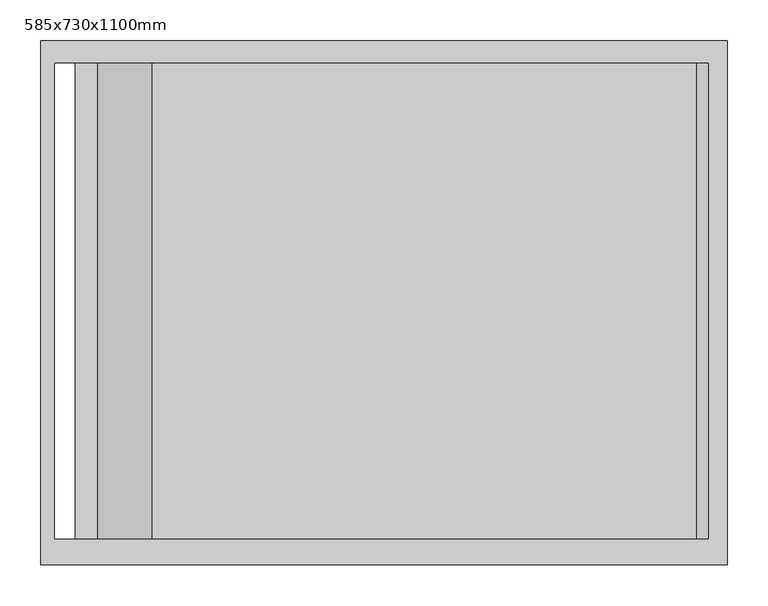
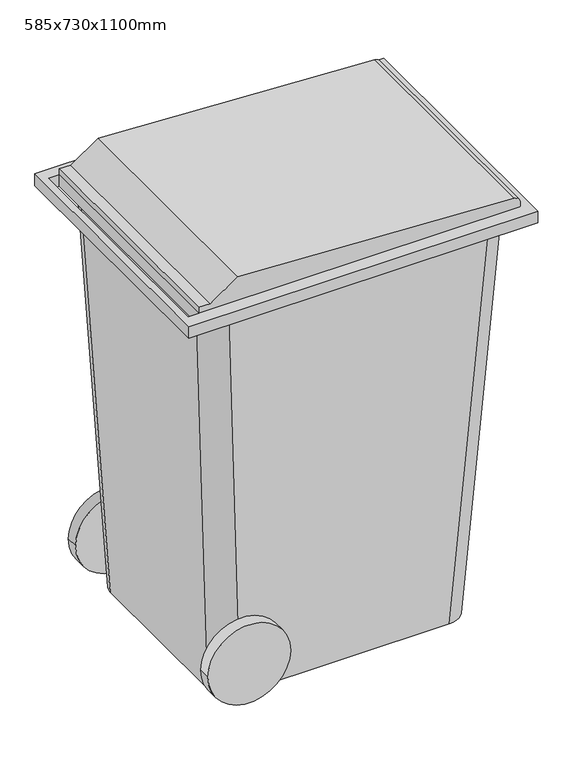
"""IFC4 building model written with IfcOpenShell, lengths in millimetres: geographic element geometry, 585x730x1100mm."""

import ifcopenshell
import ifcopenshell.guid

model = None  # the IFC model being written
_history = None  # IfcOwnerHistory: only IFC2X3 demands one
_inside = {}  # id of a spatial element -> (the spatial element, [elements in it])
_under = {}  # id of a project, library or spatial element -> (it, [spatial elements below it])
_declared = {}  # id of a project -> (the project, [libraries it declares])
_typed = {}  # id of a type object -> (the type object, [elements of that type])
_made_of = {}  # id of a material, layer set ... -> (it, [elements and type objects made of it])


def new_model(schema):
    """Start an empty IFC model of exactly this schema.

    Asked for "IFC4X3", IfcOpenShell would pick the latest addendum, in which some entities
    have other attributes; the version numbers below select the first issue.
    IFC2X3 requires an IfcOwnerHistory on every rooted entity: one is made here for all.
    """
    global model, _history
    if schema == "IFC4X3":
        model = ifcopenshell.file(schema_version=(4, 3, 0, 0))
    else:
        model = ifcopenshell.file(schema=schema)
    _inside.clear()
    _under.clear()
    _declared.clear()
    _typed.clear()
    _made_of.clear()
    _history = None
    if model.schema == "IFC2X3":
        org = make("IfcOrganization", Name="unknown")
        user = make(
            "IfcPersonAndOrganization",
            ThePerson=make("IfcPerson", FamilyName="unknown"),
            TheOrganization=org,
        )
        app = make(
            "IfcApplication",
            ApplicationDeveloper=org,
            Version="unknown",
            ApplicationFullName="unknown",
            ApplicationIdentifier="unknown",
        )
        _history = make(
            "IfcOwnerHistory",
            OwningUser=user,
            OwningApplication=app,
            ChangeAction="ADDED",
            CreationDate=0,
        )
    return model


def make(cls, **values):
    """One entity of the class cls with the attributes given. An attribute that is None is left unset."""
    return model.create_entity(
        cls, **{name: value for name, value in values.items() if value is not None}
    )


def rooted(cls, **values):
    """An entity with a GlobalId (a new one), such as an element, a storey or a relation."""
    return make(cls, GlobalId=ifcopenshell.guid.new(), OwnerHistory=_history, **values)


def si_unit(unit_type, name, prefix=None):
    """IfcSIUnit, for example si_unit("LENGTHUNIT", "METRE", prefix="MILLI")."""
    return make("IfcSIUnit", UnitType=unit_type, Prefix=prefix, Name=name)


def assignment(units):
    """IfcUnitAssignment: the units of a project."""
    return None if units is None else make("IfcUnitAssignment", Units=units)


def point(xyz):
    """IfcCartesianPoint."""
    return None if xyz is None else make("IfcCartesianPoint", Coordinates=xyz)


def direction(xyz):
    """IfcDirection."""
    return None if xyz is None else make("IfcDirection", DirectionRatios=xyz)


def frame(location, z_axis=None, x_axis=None):
    """IfcAxis2Placement3D, a coordinate frame: its origin and axes. An axis left out is left unset."""
    return make(
        "IfcAxis2Placement3D",
        Location=point(location),
        Axis=direction(z_axis),
        RefDirection=direction(x_axis),
    )


def frame_2d(location, x_axis=None):
    """IfcAxis2Placement2D, a coordinate frame in the plane: its origin and x axis."""
    return make(
        "IfcAxis2Placement2D", Location=point(location), RefDirection=direction(x_axis)
    )


def origin():
    """The frame at (0, 0, 0) with its axes left unset."""
    return frame((0.0, 0.0, 0.0))


def place(relative_to, where):
    """IfcLocalPlacement: puts the frame where relative to a parent placement (None: the world)."""
    return make(
        "IfcLocalPlacement", PlacementRelTo=relative_to, RelativePlacement=where
    )


def context(
    kind, dimensions, precision=None, world=None, true_north=None, identifier=None
):
    """IfcGeometricRepresentationContext, for example the 3D "Model" context."""
    return make(
        "IfcGeometricRepresentationContext",
        ContextIdentifier=identifier,
        ContextType=kind,
        CoordinateSpaceDimension=dimensions,
        Precision=precision,
        WorldCoordinateSystem=world,
        TrueNorth=true_north,
    )


def project(units=None, contexts=None):
    """IfcProject with its units and contexts."""
    return rooted(
        "IfcProject",
        Name="project",
        RepresentationContexts=contexts,
        UnitsInContext=assignment(units),
    )


def spatial(cls, under=None, at=None, **own):
    """A site, building, storey or space (cls), placed at a placement, below another one or the project."""
    s = rooted(cls, ObjectPlacement=at, **own)
    if under is not None:
        _under.setdefault(under.id(), (under, []))[1].append(s)
    return s


def polyline(points):
    """IfcPolyline through the points."""
    return make("IfcPolyline", Points=[point(p) for p in points])


def circle_curve(where, radius):
    """IfcCircle in the frame where."""
    return make("IfcCircle", Position=where, Radius=radius)


def trimmed(basis, trim1, trim2, sense, master):
    """IfcTrimmedCurve: the piece of a basis curve between two trims."""
    return make(
        "IfcTrimmedCurve",
        BasisCurve=basis,
        Trim1=trim1,
        Trim2=trim2,
        SenseAgreement=sense,
        MasterRepresentation=master,
    )


def segment(curve, same_sense, transition):
    """IfcCompositeCurveSegment."""
    return make(
        "IfcCompositeCurveSegment",
        Transition=transition,
        SameSense=same_sense,
        ParentCurve=curve,
    )


def composite_curve(segments, self_intersect=None):
    """IfcCompositeCurve: segments joined end to end."""
    return make("IfcCompositeCurve", Segments=segments, SelfIntersect=self_intersect)


def outline(outer, holes=None, kind="AREA"):
    """IfcArbitraryClosedProfileDef: a profile drawn as a closed curve; with holes, ...WithVoids."""
    if holes is None:
        return make("IfcArbitraryClosedProfileDef", ProfileType=kind, OuterCurve=outer)
    return make(
        "IfcArbitraryProfileDefWithVoids",
        ProfileType=kind,
        OuterCurve=outer,
        InnerCurves=holes,
    )


def extrude(swept, where, along, depth):
    """IfcExtrudedAreaSolid: the profile swept, set in the frame where, extruded along a direction by depth."""
    return make(
        "IfcExtrudedAreaSolid",
        SweptArea=swept,
        Position=where,
        ExtrudedDirection=direction(along),
        Depth=depth,
    )


def shape(context_of_items, identifier, shape_type, items):
    """IfcShapeRepresentation: the items that make up one representation, for example the "Body"."""
    return make(
        "IfcShapeRepresentation",
        ContextOfItems=context_of_items,
        RepresentationIdentifier=identifier,
        RepresentationType=shape_type,
        Items=items,
    )


def source(mapping_origin, context_of_items, identifier, shape_type, items):
    """IfcRepresentationMap: a shape defined once, which mapped items show again and again."""
    return make(
        "IfcRepresentationMap",
        MappingOrigin=mapping_origin,
        MappedRepresentation=shape(context_of_items, identifier, shape_type, items),
    )


def transform(
    local_origin,
    x_axis=None,
    y_axis=None,
    z_axis=None,
    scale=None,
    scale2=None,
    scale3=None,
    uniform=True,
):
    """IfcCartesianTransformationOperator3D, or its non-uniform kind. x_axis, y_axis, z_axis: its Axis1, 2, 3."""
    if uniform:
        return make(
            "IfcCartesianTransformationOperator3D",
            Axis1=direction(x_axis),
            Axis2=direction(y_axis),
            LocalOrigin=point(local_origin),
            Scale=scale,
            Axis3=direction(z_axis),
        )
    return make(
        "IfcCartesianTransformationOperator3DnonUniform",
        Axis1=direction(x_axis),
        Axis2=direction(y_axis),
        LocalOrigin=point(local_origin),
        Scale=scale,
        Axis3=direction(z_axis),
        Scale2=scale2,
        Scale3=scale3,
    )


def mapped(mapping_source, mapping_target):
    """IfcMappedItem: shows the shape of a source again, moved by a transform."""
    return make(
        "IfcMappedItem", MappingSource=mapping_source, MappingTarget=mapping_target
    )


def made_of(thing, what):
    """Note that an element or type object is made of a material, layer set ...; save() writes the relation."""
    if what is not None:
        _made_of.setdefault(what.id(), (what, []))[1].append(thing)
    return thing


def element(
    cls,
    number,
    at=None,
    inside=None,
    cuts=None,
    type_object=None,
    material=None,
    context=None,
    identifier="Body",
    shape_type=None,
    held_by="IfcProductDefinitionShape",
    body=None,
    shapes=None,
    **own,
):
    """One element of the class cls, such as IfcWall. Its Tag is "e" and its number.

    at: its placement. inside: the storey or other place that contains it. cuts: it is an
    opening in that element (IfcRelVoidsElement). A single representation is given by context,
    identifier, shape_type and body (its items); several are given by shapes. held_by: the class
    of the entity that holds the representations. save() writes the other relations.
    """
    e = rooted(cls, Tag="e%d" % number, ObjectPlacement=at, **own)
    if body is not None:
        shapes = [shape(context, identifier, shape_type, body)]
    if shapes is not None:
        e.Representation = make(held_by, Representations=shapes)
    if inside is not None:
        _inside.setdefault(inside.id(), (inside, []))[1].append(e)
    if cuts is not None:
        rooted(
            "IfcRelVoidsElement", RelatingBuildingElement=cuts, RelatedOpeningElement=e
        )
    if type_object is not None:
        _typed.setdefault(type_object.id(), (type_object, []))[1].append(e)
    return made_of(e, material)


def aggregate(whole, parts):
    """IfcRelAggregates: a whole, such as a stair, and the parts it consists of."""
    return rooted("IfcRelAggregates", RelatingObject=whole, RelatedObjects=parts)


def save(model, path):
    """Write the relations noted so far, then the file.

    IfcRelAggregates (storeys below a building ...), IfcRelContainedInSpatialStructure (elements
    in a storey), IfcRelDefinesByType, IfcRelAssociatesMaterial and IfcRelDeclares: one each for
    every whole, place, type object, material and project.
    """
    for whole, parts in _under.values():
        aggregate(whole, parts)
    for where, things in _inside.values():
        rooted(
            "IfcRelContainedInSpatialStructure",
            RelatedElements=things,
            RelatingStructure=where,
        )
    for kind, things in _typed.values():
        rooted("IfcRelDefinesByType", RelatedObjects=things, RelatingType=kind)
    for what, things in _made_of.values():
        rooted("IfcRelAssociatesMaterial", RelatedObjects=things, RelatingMaterial=what)
    for by, libraries in _declared.values():
        rooted("IfcRelDeclares", RelatingContext=by, RelatedDefinitions=libraries)
    model.write(path)


def plane_surface(at):
    """IfcPlane: the flat surface through the origin of the frame at, square to its z axis."""
    return make("IfcPlane", Position=at)


def extruded_surface(curve, direction_of_extrusion, depth):
    """IfcSurfaceOfLinearExtrusion: the curve pushed along a direction by depth."""
    return make(
        "IfcSurfaceOfLinearExtrusion",
        SweptCurve=make("IfcArbitraryOpenProfileDef", ProfileType="CURVE", Curve=curve),
        ExtrudedDirection=direction(direction_of_extrusion),
        Depth=depth,
    )


def spline_surface(u_degree, v_degree, points, u_multiplicities, v_multiplicities, u_knots, v_knots, weights=None):
    """IfcBSplineSurfaceWithKnots; with weights, IfcRationalBSplineSurfaceWithKnots. points: one row for each step in u."""
    own = dict(
        UDegree=u_degree,
        VDegree=v_degree,
        ControlPointsList=[[point(p) for p in row] for row in points],
        SurfaceForm="UNSPECIFIED",
        UClosed=False,
        VClosed=False,
        SelfIntersect=False,
        UMultiplicities=u_multiplicities,
        VMultiplicities=v_multiplicities,
        UKnots=u_knots,
        VKnots=v_knots,
        KnotSpec="UNSPECIFIED",
    )
    if weights is None:
        return make("IfcBSplineSurfaceWithKnots", **own)
    return make("IfcRationalBSplineSurfaceWithKnots", WeightsData=weights, **own)


def advanced_brep(points, edges, surfaces, faces):
    """IfcAdvancedBrep: a solid bounded by faces that lie on surfaces and meet in shared edges.

    An edge is (start, end): straight between two places in points (the first is 0);
    or (start, end, curve); or (start, end, curve, False) where it runs against its curve.
    A face is (place in surfaces, loops), or (place, loops, False) where it looks against
    its surface's normal. A loop lists edges by number (the first is 1), with a minus sign
    where the edge is run from its end to its start. The first loop is the outer one.
    """
    corners = [point(p) for p in points]
    vertices = [make("IfcVertexPoint", VertexGeometry=c) for c in corners]
    made = []
    for start, end, *more in edges:
        made.append(
            make(
                "IfcEdgeCurve",
                EdgeStart=vertices[start],
                EdgeEnd=vertices[end],
                EdgeGeometry=more[0] if more else make("IfcPolyline", Points=[corners[start], corners[end]]),
                SameSense=more[1] if len(more) > 1 else True,
            )
        )
    hull = []
    for where, loops, *sense in faces:
        bounds = []
        for j, loop in enumerate(loops):
            ring = [make("IfcOrientedEdge", EdgeElement=made[abs(k) - 1], Orientation=k > 0) for k in loop]
            bounds.append(
                make(
                    "IfcFaceOuterBound" if j == 0 else "IfcFaceBound",
                    Bound=make("IfcEdgeLoop", EdgeList=ring),
                    Orientation=True,
                )
            )
        hull.append(make("IfcAdvancedFace", Bounds=bounds, FaceSurface=surfaces[where], SameSense=sense[0] if sense else True))
    return make("IfcAdvancedBrep", Outer=make("IfcClosedShell", CfsFaces=hull))


def geographic_element_585x730x1100mm_4209202b(model_context):
    return source(origin(), model_context, "Body", "SolidModel", [
        advanced_brep(
        [(286.4441689, -345.3993834, 1010.0), (336.4441689, -295.3993834, 1010.0), (336.4441689, 189.6006166, 1010.0), (286.4441689, 239.6006166, 1010.0), (-343.5558311, 239.6006166, 1010.0), (-393.5558311, 189.6006166, 1010.0), (-393.5558311, -295.3993834, 1010.0), (-343.5558311, -345.3993834, 1010.0), (213.9441689, -305.3993834, 0.0), (-293.5558311, -305.3993834, 0.0), (-343.5558311, -255.3993834, 0.0), (-343.5558311, 149.6006166, 0.0), (-293.5558311, 199.6006166, 0.0), (221.4441689, 199.6006166, 0.0), (263.9441689, 157.1006166, 0.0), (263.9441689, -255.3993834, 0.0)],
        [
            (0, 1, circle_curve(frame((286.4441689, -295.3993834, 1010.0), z_axis=(0.0, 0.0, 1.0), x_axis=(0.0, -1.0, 0.0)), 50.0)),
            (1, 2),
            (2, 3, circle_curve(frame((286.4441689, 189.6006166, 1010.0), z_axis=(0.0, 0.0, 1.0), x_axis=(0.0, -1.0, 0.0)), 50.0)),
            (3, 4),
            (4, 5, circle_curve(frame((-343.5558311, 189.6006166, 1010.0), z_axis=(0.0, 0.0, 1.0), x_axis=(0.0, -1.0, 0.0)), 50.0)),
            (5, 6),
            (6, 7, circle_curve(frame((-343.5558311, -295.3993834, 1010.0), z_axis=(0.0, 0.0, 1.0), x_axis=(0.0, -1.0, 0.0)), 50.0)),
            (7, 0),
            (8, 9),
            (9, 10, circle_curve(frame((-293.5558311, -255.3993834, 0.0), z_axis=(0.0, 0.0, -1.0), x_axis=(0.0, -1.0, 0.0)), 50.0)),
            (10, 11),
            (11, 12, circle_curve(frame((-293.5558311, 149.6006166, 0.0), z_axis=(0.0, 0.0, -1.0), x_axis=(0.0, -1.0, 0.0)), 50.0)),
            (12, 13),
            (13, 14, circle_curve(frame((221.4441689, 157.1006166, 0.0), z_axis=(0.0, 0.0, -1.0), x_axis=(0.0, -1.0, 0.0)), 42.5)),
            (14, 15),
            (15, 8, circle_curve(frame((213.9441689, -255.3993834, 0.0), z_axis=(0.0, 0.0, -1.0), x_axis=(0.0, -1.0, 0.0)), 50.0)),
            (15, 1),
            (0, 8),
            (14, 2),
            (13, 3),
            (12, 4),
            (11, 5),
            (10, 6),
            (9, 7),
        ],
        [
            plane_surface(frame((-28.5558311, -52.8993834, 1010.0), z_axis=(0.0, 0.0, 1.0), x_axis=(1.0, 0.0, 0.0))),
            plane_surface(frame((-38.8683311, -51.9618834, 0.0), z_axis=(0.0, 0.0, -1.0), x_axis=(1.0, 0.0, 0.0))),
            extruded_surface(trimmed(circle_curve(frame((213.9441689, -255.3993834, 0.0), z_axis=(0.0, 0.0, 1.0), x_axis=(0.0, -1.0, 0.0)), 50.0), [point((213.9441689, -305.3993834, 0.0))], [point((263.9441689, -255.3993834, 0.0))], True, "CARTESIAN"), (72.50000000000003, -39.99999999999997, 1010.0), 1013.388499046639),
            plane_surface(frame((263.9441689, -49.1493834, 0.0), z_axis=(0.9974335731816439, 0.0, -0.07159795451057413), x_axis=(0.0, 1.0, 0.0))),
            spline_surface(2, 1, [[(263.9441689, 157.1006166, 0.0), (336.4441689, 189.6006166, 1010.0)], [(263.9441689, 199.60061660000002, 0.0), (336.4441689, 239.6006166, 1010.0)], [(221.4441689, 199.6006166, 0.0), (286.4441689, 239.6006166, 1010.0)]], [3, 3], [2, 2], [0.0, 1.0], [0.0, 1.0], weights=[[1.0, 1.0], [0.7071067811865476, 0.7071067811865476], [1.0, 1.0]]),
            plane_surface(frame((-36.0558311, 199.6006166, 0.0), z_axis=(0.0, 0.9992166844974392, -0.039572937999915826), x_axis=(-1.0, 0.0, 0.0))),
            extruded_surface(trimmed(circle_curve(frame((-293.5558311, 149.6006166, 0.0), z_axis=(0.0, 0.0, 1.0), x_axis=(0.0, -1.0, 0.0)), 50.0), [point((-293.5558311, 199.6006166, 0.0))], [point((-343.5558311, 149.6006166, 0.0))], True, "CARTESIAN"), (-50.0, 40.0, 1010.0), 1012.02766760598),
            plane_surface(frame((-343.5558311, -52.8993834, 0.0), z_axis=(-0.9987768776459356, 0.0, -0.04944439988346296), x_axis=(0.0, -1.0, 0.0))),
            extruded_surface(trimmed(circle_curve(frame((-293.5558311, -255.3993834, 0.0), z_axis=(0.0, 0.0, 1.0), x_axis=(0.0, -1.0, 0.0)), 50.0), [point((-343.5558311, -255.3993834, 0.0))], [point((-293.5558311, -305.3993834, 0.0))], True, "CARTESIAN"), (-50.0, -39.99999999999997, 1010.0), 1012.02766760598),
            plane_surface(frame((-39.8058311, -305.3993834, 0.0), z_axis=(0.0, -0.9992166844974399, -0.03957293799989581), x_axis=(1.0, 0.0, 0.0))),
        ],
        [
            (0, [[1, 2, 3, 4, 5, 6, 7, 8]]),
            (1, [[9, 10, 11, 12, 13, 14, 15, 16]]),
            (2, [[-16, 17, -1, 18]]),
            (3, [[-15, 19, -2, -17]]),
            (4, [[-14, 20, -3, -19]]),
            (5, [[-13, 21, -4, -20]]),
            (6, [[-12, 22, -5, -21]]),
            (7, [[-11, 23, -6, -22]]),
            (8, [[-10, 24, -7, -23]]),
            (9, [[-9, -18, -8, -24]]),
        ],
    ),
        extrude(outline(polyline([(386.4441689, -377.6567507), (-458.5558311, -377.6567507), (-458.5558311, 267.3432493), (386.4441689, 267.3432493), (386.4441689, -377.6567507)]), holes=[polyline([(-416.0558311, 239.6006166), (-441.0558311, 239.6006166), (-441.0558311, -345.3993834), (-416.0558311, -345.3993834), (-416.0558311, 239.6006166)])]), frame((0.0, 0.0, 1010.0), z_axis=(0.0, 0.0, 1.0), x_axis=(1.0, 0.0, 0.0)), (0.0, 0.0, 1.0), 30.0),
        extrude(outline(composite_curve([segment(polyline([(1040.0, 362.8517051), (1051.480958, 362.8517051)]), True, "CONTINUOUS"), segment(trimmed(circle_curve(frame_2d((1051.480958, 347.8517051)), 15.0), [point((1051.480958, 362.8517051))], [point((1066.460401, 348.6367444))], False, "CARTESIAN"), True, "CONTINUOUS"), segment(polyline([(1066.460401, 348.6367444), (1100.0, -321.0558311), (1055.0, -388.0558311), (1055.0, -416.0558311), (1040.0, -416.0558311), (1040.0, 362.8517051)]), True, "CONTINUOUS")], self_intersect=False)), frame((0.0, -345.3993834, 0.0), z_axis=(0.0, 1.0, 0.0), x_axis=(0.0, 0.0, 1.0)), (0.0, 0.0, 1.0), 585.0),
        extrude(outline(composite_curve([segment(trimmed(circle_curve(frame_2d((100.0, -293.5558311)), 100.0), [point((100.0, -393.5558311))], [point((100.0, -193.5558311))], False, "CARTESIAN"), True, "CONTINUOUS"), segment(trimmed(circle_curve(frame_2d((100.0, -293.5558311)), 100.0), [point((100.0, -193.5558311))], [point((100.0, -393.5558311))], False, "CARTESIAN"), True, "CONTINUOUS")], self_intersect=False)), frame((0.0, -345.3993834, 0.0), z_axis=(0.0, 1.0, 0.0), x_axis=(0.0, 0.0, 1.0)), (0.0, 0.0, 1.0), 30.0),
        extrude(outline(composite_curve([segment(trimmed(circle_curve(frame_2d((100.0, -293.5558311)), 100.0), [point((100.0, -393.5558311))], [point((100.0, -193.5558311))], False, "CARTESIAN"), True, "CONTINUOUS"), segment(trimmed(circle_curve(frame_2d((100.0, -293.5558311)), 100.0), [point((100.0, -193.5558311))], [point((100.0, -393.5558311))], False, "CARTESIAN"), True, "CONTINUOUS")], self_intersect=False)), frame((0.0, 209.6006166, 0.0), z_axis=(0.0, 1.0, 0.0), x_axis=(0.0, 0.0, 1.0)), (0.0, 0.0, 1.0), 30.0),
    ])


if __name__ == "__main__":
    model = new_model("IFC4")
    model_context = context("Model", 3, world=origin())
    ifc_project = project(units=[si_unit("LENGTHUNIT", "METRE", prefix="MILLI")], contexts=[model_context])
    site = spatial("IfcSite", under=ifc_project)
    building = spatial("IfcBuilding", under=site)
    placement = place(None, origin())
    geographic_element_585x730x1100mm_shape = geographic_element_585x730x1100mm_4209202b(model_context)
    element("IfcGeographicElement", 1, ObjectType="585x730x1100mm", at=placement, inside=building, context=model_context, shape_type="MappedRepresentation", body=[
        mapped(geographic_element_585x730x1100mm_shape, transform((0.0, 0.0, 0.0), x_axis=(1.0, 0.0, 0.0), y_axis=(0.0, 1.0, 0.0), z_axis=(0.0, 0.0, 1.0))),
    ])
    save(model, "model.ifc")
